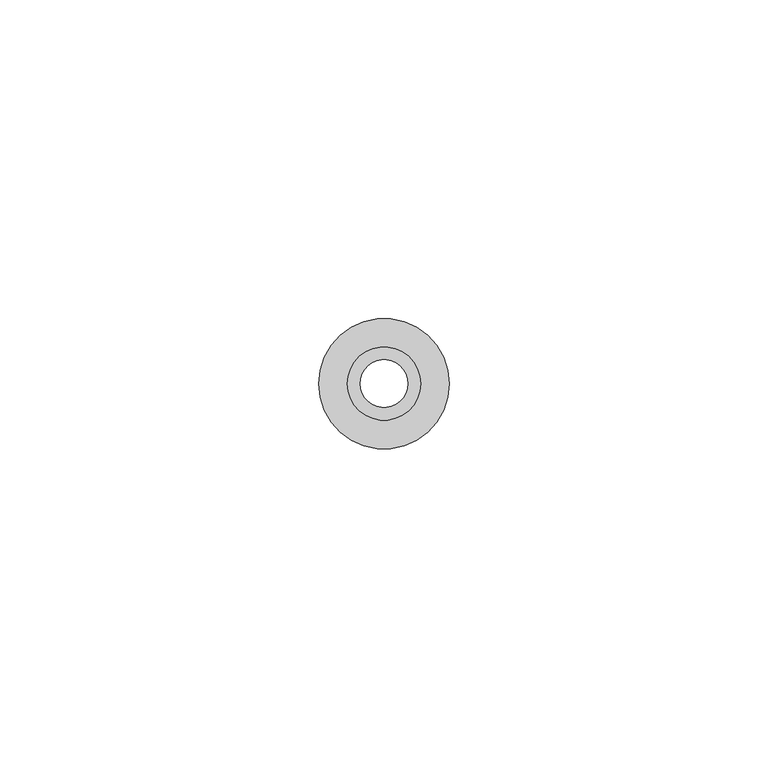
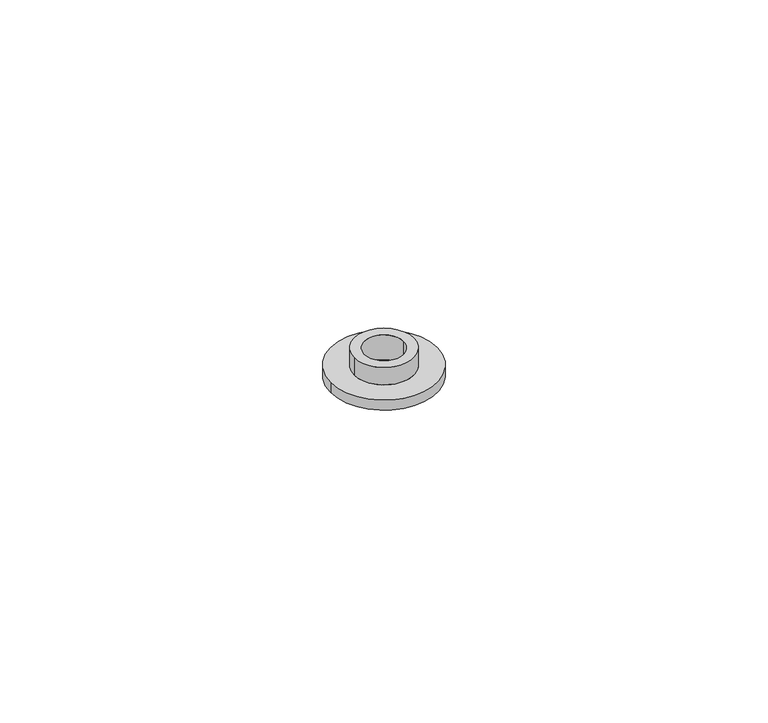
"""IFC4 building model written with IfcOpenShell, lengths in millimetres: proxy geometry."""

from ifc_helpers import new_model, si_unit, point, frame, origin, place, context, project, spatial, polyline, circle_curve, ellipse_curve, trimmed, source, transform, mapped, element, save
from ifc_brep_helpers import plane_surface, cylinder_surface, revolved_surface, advanced_brep


def generic_models_8ab0b496(model_context):
    return source(origin(), model_context, "Body", "AdvancedBrep", [
        advanced_brep(
        [(-10.25, 0.0, 0.0), (-10.25, 0.0, 2.0), (10.25, 0.0, 2.0), (10.25, 0.0, 0.0), (-5.75, 0.0, 2.0), (-5.75, 0.0, 5.5), (5.75, 0.0, 5.5), (5.75, 0.0, 2.0), (3.75, 0.0, 0.5), (3.75, 0.0, 5.5), (-3.75, 0.0, 5.5), (-3.75, 0.0, 0.5), (4.25, 0.0, 0.0), (-4.25, 0.0, 0.0)],
        [
            (0, 1),
            (1, 2, circle_curve(frame((0.0, 0.0, 2.0), z_axis=(0.0, 0.0, -1.0), x_axis=(-1.0, 0.0, 0.0)), 10.25)),
            (2, 3),
            (3, 0, circle_curve(frame((0.0, 0.0, 0.0), z_axis=(0.0, 0.0, 1.0), x_axis=(-1.0, 0.0, 0.0)), 10.25)),
            (4, 5),
            (5, 6, circle_curve(frame((0.0, 0.0, 5.5), z_axis=(0.0, 0.0, -1.0), x_axis=(-1.0, 0.0, 0.0)), 5.75)),
            (6, 7),
            (7, 4, circle_curve(frame((0.0, 0.0, 2.0), z_axis=(0.0, 0.0, 1.0), x_axis=(-1.0, 0.0, 0.0)), 5.75)),
            (8, 9),
            (9, 10, circle_curve(frame((0.0, 0.0, 5.5), z_axis=(0.0, 0.0, 1.0), x_axis=(1.0, 0.0, 0.0)), 3.75)),
            (10, 11),
            (11, 8, circle_curve(frame((0.0, 0.0, 0.5), z_axis=(0.0, 0.0, -1.0), x_axis=(1.0, 0.0, 0.0)), 3.75)),
            (8, 12, circle_curve(frame((4.25, 0.0, 0.5), z_axis=(0.0, -1.0, 0.0), x_axis=(1.0, 0.0, 0.0)), 0.5)),
            (12, 13, circle_curve(frame((0.0, 0.0, 0.0), z_axis=(0.0, 0.0, -1.0), x_axis=(-1.0, 0.0, 0.0)), 4.25)),
            (13, 11, circle_curve(frame((-4.25, 0.0, 0.5), z_axis=(0.0, -1.0, 0.0), x_axis=(-1.0, 0.0, 0.0)), 0.5)),
            (11, 8, circle_curve(frame((0.0, 0.0, 0.5), z_axis=(0.0, 0.0, 1.0), x_axis=(-1.0, 0.0, 0.0)), 3.75)),
            (13, 12, circle_curve(frame((0.0, 0.0, 0.0), z_axis=(0.0, 0.0, -1.0), x_axis=(1.0, 0.0, 0.0)), 4.25)),
            (10, 9, circle_curve(frame((0.0, 0.0, 5.5), z_axis=(0.0, 0.0, 1.0), x_axis=(1.0, 0.0, 0.0)), 3.75)),
            (3, 0, circle_curve(frame((0.0, 0.0, 0.0), z_axis=(0.0, 0.0, -1.0), x_axis=(-1.0, 0.0, 0.0)), 10.25)),
            (4, 7, circle_curve(frame((0.0, 0.0, 2.0), z_axis=(0.0, 0.0, 1.0), x_axis=(-1.0, 0.0, 0.0)), 5.75)),
            (6, 5, circle_curve(frame((0.0, 0.0, 5.5), z_axis=(0.0, 0.0, -1.0), x_axis=(-1.0, 0.0, 0.0)), 5.75)),
            (2, 1, circle_curve(frame((0.0, 0.0, 2.0), z_axis=(0.0, 0.0, -1.0), x_axis=(-1.0, 0.0, 0.0)), 10.25)),
        ],
        [
            cylinder_surface(frame((0.0, 0.0, 0.0), z_axis=(0.0, 0.0, 1.0), x_axis=(-1.0, 0.0, 0.0)), 10.25),
            cylinder_surface(frame((0.0, 0.0, 2.0), z_axis=(0.0, 0.0, 1.0), x_axis=(-1.0, 0.0, 0.0)), 5.75),
            revolved_surface(polyline([(3.75, 0.0, 5.5), (3.75, 0.0, 0.5)]), (0.0, 0.0, -24.0084734), (0.0, 0.0, 1.0)),
            revolved_surface(trimmed(ellipse_curve(frame((-4.25, 0.0, 0.5), z_axis=(0.0, 1.0, 0.0), x_axis=(-1.0, 0.0, 0.0)), 0.5, 0.5), [point((-3.75, 0.0, 0.5))], [point((-4.25, 0.0, 0.0))], True, "CARTESIAN"), (0.0, 0.0, 0.5), (0.0, 0.0, 1.0)),
            revolved_surface(trimmed(ellipse_curve(frame((4.25, 0.0, 0.5), z_axis=(0.0, -1.0, 0.0), x_axis=(1.0, 0.0, 0.0)), 0.5, 0.5), [point((3.75, 0.0, 0.5))], [point((4.25, 0.0, 0.0))], True, "CARTESIAN"), (0.0, 0.0, 0.5), (0.0, 0.0, 1.0)),
            plane_surface(frame((0.0, 0.0, 0.0), z_axis=(0.0, 0.0, -1.0), x_axis=(-1.0, 0.0, 0.0))),
            plane_surface(frame((0.0, 0.0, 5.5), z_axis=(0.0, 0.0, 1.0), x_axis=(-1.0, 0.0, 0.0))),
            plane_surface(frame((0.0, 0.0, 2.0), z_axis=(0.0, 0.0, 1.0), x_axis=(-1.0, 0.0, 0.0))),
        ],
        [
            (0, [[1, 2, 3, 4]]),
            (1, [[5, 6, 7, 8]]),
            (2, [[9, 10, 11, 12]]),
            (3, [[13, 14, 15, 16]]),
            (4, [[-13, -12, -15, 17]]),
            (2, [[-9, -16, -11, 18]]),
            (5, [[19, -4], [-17, -14]]),
            (1, [[-5, 20, -7, 21]]),
            (6, [[-21, -6], [-18, -10]]),
            (0, [[-1, -19, -3, 22]]),
            (7, [[-22, -2], [-20, -8]]),
        ],
    ),
    ])


if __name__ == "__main__":
    model = new_model("IFC4")
    model_context = context("Model", 3, world=origin())
    ifc_project = project(units=[si_unit("LENGTHUNIT", "METRE", prefix="MILLI")], contexts=[model_context])
    site = spatial("IfcSite", under=ifc_project)
    building = spatial("IfcBuilding", under=site)
    placement = place(None, origin())
    generic_models_shape = generic_models_8ab0b496(model_context)
    element("IfcBuildingElementProxy", 1, Name="Generic Models", at=placement, inside=building, context=model_context, shape_type="MappedRepresentation", body=[
        mapped(generic_models_shape, transform((0.0, 0.0, 0.0), x_axis=(1.0, 0.0, 0.0), y_axis=(0.0, 1.0, 0.0), z_axis=(0.0, 0.0, 1.0))),
    ])
    save(model, "model.ifc")
